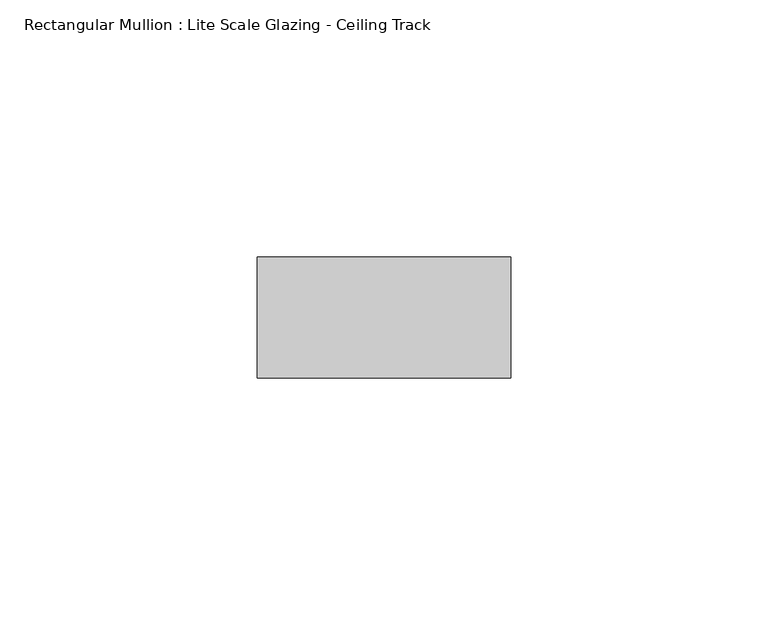
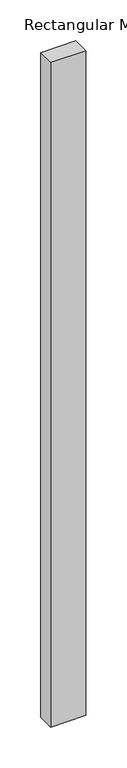
"""IFC4 building model written with IfcOpenShell, lengths in millimetres: member geometry, Rectangular Mullion : Lite Scale Glazing - Ceiling Track."""

from ifc_helpers import new_model, si_unit, frame, origin, place, context, project, spatial, polyline, outline, extrude, source, transform, mapped, element, save


def rectangular_mullion_lite_scale_glazing_ceiling_track_bd4763d1(model_context):
    return source(origin(), model_context, "Body", "SweptSolid", [
        extrude(outline(polyline([(-49.276, -11.7474999), (-49.276, 11.7474999), (0.0, 11.7474999), (0.0, -11.7474999), (-49.276, -11.7474999)])), frame((0.0, 0.0, -990.6), z_axis=(0.0, 0.0, 1.0), x_axis=(1.0, 0.0, 0.0)), (0.0, 0.0, 1.0), 990.6),
    ])


if __name__ == "__main__":
    model = new_model("IFC4")
    model_context = context("Model", 3, world=origin())
    ifc_project = project(units=[si_unit("LENGTHUNIT", "METRE", prefix="MILLI")], contexts=[model_context])
    site = spatial("IfcSite", under=ifc_project)
    building = spatial("IfcBuilding", under=site)
    placement = place(None, origin())
    rectangular_mullion_lite_scale_glazing_ceiling_track_shape = rectangular_mullion_lite_scale_glazing_ceiling_track_bd4763d1(model_context)
    element("IfcMember", 1, ObjectType="Rectangular Mullion : Lite Scale Glazing - Ceiling Track", at=placement, inside=building, context=model_context, shape_type="MappedRepresentation", body=[
        mapped(rectangular_mullion_lite_scale_glazing_ceiling_track_shape, transform((0.0, 0.0, 0.0), x_axis=(1.0, 0.0, 0.0), y_axis=(0.0, 1.0, 0.0), z_axis=(0.0, 0.0, 1.0))),
    ])
    save(model, "model.ifc")
